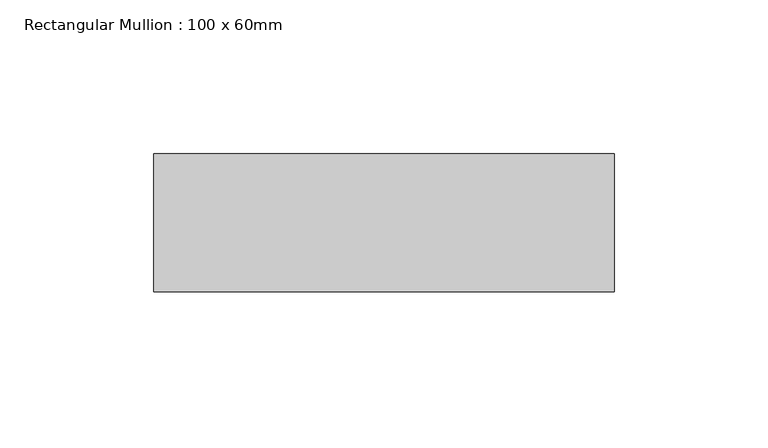
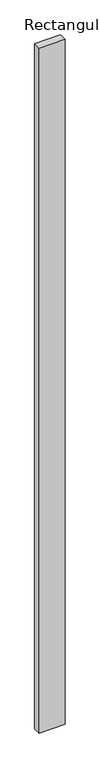
"""IFC4 building model written with IfcOpenShell, lengths in millimetres: member geometry, Rectangular Mullion : 100 x 60mm."""

from ifc_helpers import new_model, si_unit, frame, origin, place, context, project, spatial, polyline, outline, extrude, source, transform, mapped, element, save


def rectangular_mullion_100_x_60mm_c5883c91(model_context):
    return source(origin(), model_context, "Body", "SweptSolid", [
        extrude(outline(polyline([(-75.0, 30.0), (75.0, 30.0), (75.0, -15.0), (-75.0, -15.0), (-75.0, 30.0)])), frame((0.0, 0.0, -4175.9249296), z_axis=(0.0, 0.0, 1.0), x_axis=(1.0, 0.0, 0.0)), (0.0, 0.0, 1.0), 4175.9249296),
    ])


if __name__ == "__main__":
    model = new_model("IFC4")
    model_context = context("Model", 3, world=origin())
    ifc_project = project(units=[si_unit("LENGTHUNIT", "METRE", prefix="MILLI")], contexts=[model_context])
    site = spatial("IfcSite", under=ifc_project)
    building = spatial("IfcBuilding", under=site)
    placement = place(None, origin())
    rectangular_mullion_100_x_60mm_shape = rectangular_mullion_100_x_60mm_c5883c91(model_context)
    element("IfcMember", 1, ObjectType="Rectangular Mullion : 100 x 60mm", at=placement, inside=building, context=model_context, shape_type="MappedRepresentation", body=[
        mapped(rectangular_mullion_100_x_60mm_shape, transform((0.0, 0.0, 0.0), x_axis=(1.0, 0.0, 0.0), y_axis=(0.0, 1.0, 0.0), z_axis=(0.0, 0.0, 1.0))),
    ])
    save(model, "model.ifc")
